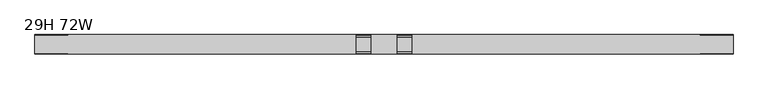
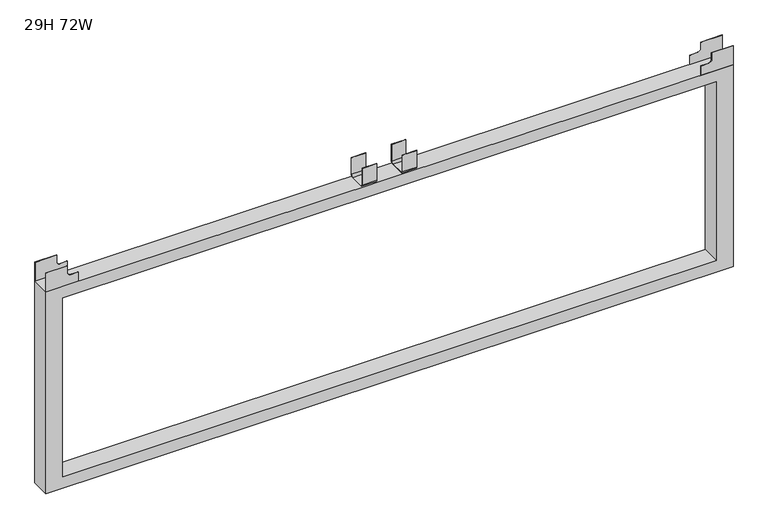
"""IFC4 building model written with IfcOpenShell, lengths in millimetres: furniture geometry, 29H 72W."""

from ifc_helpers import new_model, si_unit, point, frame, frame_2d, origin, place, context, project, spatial, polyline, circle_curve, trimmed, segment, composite_curve, outline, extrude, source, transform, mapped, element, save


def furniture_29h_72w_d79f670b(model_context):
    return source(origin(), model_context, "Body", "SweptSolid", [
        extrude(outline(composite_curve([segment(polyline([(-13.7160005, 723.3158), (-13.7160005, 676.9100085)]), True, "CONTINUOUS"), segment(trimmed(circle_curve(frame_2d((-20.0660005, 676.9100085)), 6.35), [point((-13.7160005, 676.9100085))], [point((-20.0660005, 670.5600085))], False, "CARTESIAN"), True, "CONTINUOUS"), segment(polyline([(-20.0660005, 670.5600085), (-58.1660021, 670.5600085)]), True, "CONTINUOUS"), segment(trimmed(circle_curve(frame_2d((-58.1660021, 676.9100085)), 6.35), [point((-58.1660021, 670.5600085))], [point((-64.5160021, 676.9100085))], False, "CARTESIAN"), True, "CONTINUOUS"), segment(polyline([(-64.5160021, 676.9100085), (-64.5160021, 723.3158), (-63.7286021, 723.3158), (-63.7286021, 676.9100085)]), True, "CONTINUOUS"), segment(trimmed(circle_curve(frame_2d((-58.1660021, 676.9100085)), 5.5626), [point((-63.7286021, 676.9100085))], [point((-58.1660021, 671.3474085))], True, "CARTESIAN"), True, "CONTINUOUS"), segment(polyline([(-58.1660021, 671.3474085), (-20.0660005, 671.3474085)]), True, "CONTINUOUS"), segment(trimmed(circle_curve(frame_2d((-20.0660005, 676.9100085)), 5.5626), [point((-20.0660005, 671.3474085))], [point((-14.5034005, 676.9100085))], True, "CARTESIAN"), True, "CONTINUOUS"), segment(polyline([(-14.5034005, 676.9100085), (-14.5034005, 723.3158), (-13.7160005, 723.3158)]), True, "CONTINUOUS")], self_intersect=False)), frame((948.6899855, 0.0, 0.0), z_axis=(1.0, 0.0, 0.0), x_axis=(0.0, 1.0, 0.0)), (0.0, 0.0, 1.0), 38.1),
        extrude(outline(composite_curve([segment(polyline([(-13.7160005, 723.3158), (-13.7160005, 676.9100085)]), True, "CONTINUOUS"), segment(trimmed(circle_curve(frame_2d((-20.0660005, 676.9100085)), 6.35), [point((-13.7160005, 676.9100085))], [point((-20.0660005, 670.5600085))], False, "CARTESIAN"), True, "CONTINUOUS"), segment(polyline([(-20.0660005, 670.5600085), (-58.1660021, 670.5600085)]), True, "CONTINUOUS"), segment(trimmed(circle_curve(frame_2d((-58.1660021, 676.9100085)), 6.35), [point((-58.1660021, 670.5600085))], [point((-64.5160021, 676.9100085))], False, "CARTESIAN"), True, "CONTINUOUS"), segment(polyline([(-64.5160021, 676.9100085), (-64.5160021, 723.3158), (-63.7286021, 723.3158), (-63.7286021, 676.9100085)]), True, "CONTINUOUS"), segment(trimmed(circle_curve(frame_2d((-58.1660021, 676.9100085)), 5.5626), [point((-63.7286021, 676.9100085))], [point((-58.1660021, 671.3474085))], True, "CARTESIAN"), True, "CONTINUOUS"), segment(polyline([(-58.1660021, 671.3474085), (-20.0660005, 671.3474085)]), True, "CONTINUOUS"), segment(trimmed(circle_curve(frame_2d((-20.0660005, 676.9100085)), 5.5626), [point((-20.0660005, 671.3474085))], [point((-14.5034005, 676.9100085))], True, "CARTESIAN"), True, "CONTINUOUS"), segment(polyline([(-14.5034005, 676.9100085), (-14.5034005, 723.3158), (-13.7160005, 723.3158)]), True, "CONTINUOUS")], self_intersect=False)), frame((842.0100145, 0.0, 0.0), z_axis=(1.0, 0.0, 0.0), x_axis=(0.0, 1.0, 0.0)), (0.0, 0.0, 1.0), 38.1),
        extrude(outline(polyline([(723.3158, 1828.8), (723.3158, 1771.65), (701.8045403, 1771.65), (696.5950109, 1765.3000015), (696.5950109, 1742.4400006), (670.5600085, 1742.4400006), (670.5600085, 1828.8), (723.3158, 1828.8)])), frame((0.0, -14.333455, 0.0), z_axis=(0.0, 1.0, 0.0), x_axis=(0.0, 0.0, 1.0)), (0.0, 0.0, 1.0), 0.6174544),
        extrude(outline(polyline([(723.3158, 1828.8), (723.3158, 1771.65), (701.8045403, 1771.65), (696.5950109, 1765.3000015), (696.5950109, 1742.4400006), (670.5600085, 1742.4400006), (670.5600085, 1828.8), (723.3158, 1828.8)])), frame((0.0, -64.5160021, 0.0), z_axis=(0.0, 1.0, 0.0), x_axis=(0.0, 0.0, 1.0)), (0.0, 0.0, 1.0), 0.6174544),
        extrude(outline(polyline([(723.3158, 0.0), (670.5600085, 0.0), (670.5600085, 86.3599994), (696.5950109, 86.3599994), (696.5950109, 63.4999985), (701.8045403, 57.15), (723.3158, 57.15), (723.3158, 0.0)])), frame((0.0, -14.333455, 0.0), z_axis=(0.0, 1.0, 0.0), x_axis=(0.0, 0.0, 1.0)), (0.0, 0.0, 1.0), 0.6174544),
        extrude(outline(polyline([(723.3158, 0.0), (670.5600085, 0.0), (670.5600085, 86.3599994), (696.5950109, 86.3599994), (696.5950109, 63.4999985), (701.8045403, 57.15), (723.3158, 57.15), (723.3158, 0.0)])), frame((0.0, -64.5160021, 0.0), z_axis=(0.0, 1.0, 0.0), x_axis=(0.0, 0.0, 1.0)), (0.0, 0.0, 1.0), 0.6174544),
        extrude(outline(polyline([(101.600003, 0.0), (101.600003, 1828.8), (670.4329935, 1828.8), (670.4329935, 0.0), (101.600003, 0.0)]), holes=[polyline([(134.4929989, 44.4499985), (637.5400158, 44.4499985), (637.5400158, 1784.3500015), (134.4929989, 1784.3500015), (134.4929989, 44.4499985)])]), frame((0.0, -64.5160021, 0.0), z_axis=(0.0, 1.0, 0.0), x_axis=(0.0, 0.0, 1.0)), (0.0, 0.0, 1.0), 50.8000015),
    ])


if __name__ == "__main__":
    model = new_model("IFC4")
    model_context = context("Model", 3, world=origin())
    ifc_project = project(units=[si_unit("LENGTHUNIT", "METRE", prefix="MILLI")], contexts=[model_context])
    site = spatial("IfcSite", under=ifc_project)
    building = spatial("IfcBuilding", under=site)
    placement = place(None, origin())
    furniture_29h_72w_shape = furniture_29h_72w_d79f670b(model_context)
    element("IfcFurniture", 1, ObjectType="29H 72W", at=placement, inside=building, context=model_context, shape_type="MappedRepresentation", body=[
        mapped(furniture_29h_72w_shape, transform((0.0, 0.0, 0.0), x_axis=(1.0, 0.0, 0.0), y_axis=(0.0, 1.0, 0.0), z_axis=(0.0, 0.0, 1.0))),
    ])
    save(model, "model.ifc")
